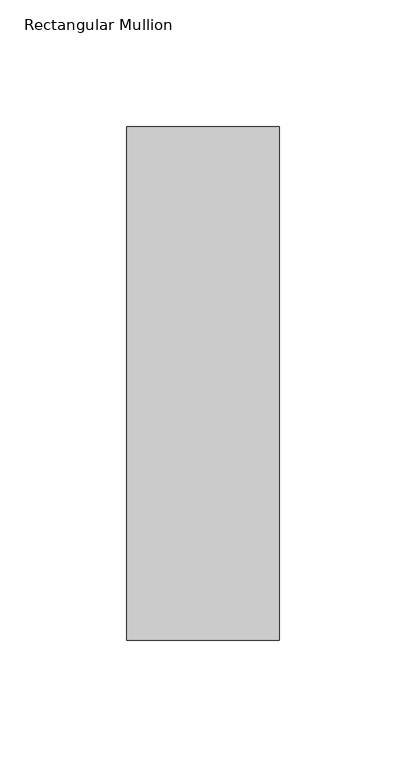
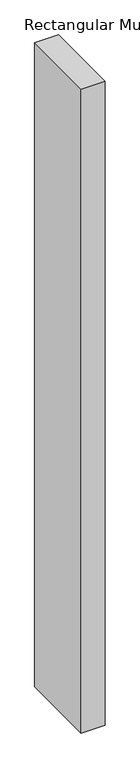
"""IFC4 building model written with IfcOpenShell, lengths in millimetres: member geometry, Rectangular Mullion."""

from ifc_helpers import new_model, si_unit, frame, origin, place, context, project, spatial, polyline, outline, extrude, source, transform, mapped, element, save


def rectangular_mullion_a5ad6303(model_context):
    return source(origin(), model_context, "Body", "SweptSolid", [
        extrude(outline(polyline([(30.0, 166.73125), (30.0, -35.73125), (-30.0, -35.73125), (-30.0, 166.73125), (30.0, 166.73125)])), frame((0.0, 0.0, -1708.8912252), z_axis=(0.0, 0.0, 1.0), x_axis=(1.0, 0.0, 0.0)), (0.0, 0.0, 1.0), 1708.8912252),
    ])


if __name__ == "__main__":
    model = new_model("IFC4")
    model_context = context("Model", 3, world=origin())
    ifc_project = project(units=[si_unit("LENGTHUNIT", "METRE", prefix="MILLI")], contexts=[model_context])
    site = spatial("IfcSite", under=ifc_project)
    building = spatial("IfcBuilding", under=site)
    placement = place(None, origin())
    rectangular_mullion_shape = rectangular_mullion_a5ad6303(model_context)
    element("IfcMember", 1, ObjectType="Rectangular Mullion", at=placement, inside=building, context=model_context, shape_type="MappedRepresentation", body=[
        mapped(rectangular_mullion_shape, transform((0.0, 0.0, 0.0), x_axis=(1.0, 0.0, 0.0), y_axis=(0.0, 1.0, 0.0), z_axis=(0.0, 0.0, 1.0))),
    ])
    save(model, "model.ifc")
